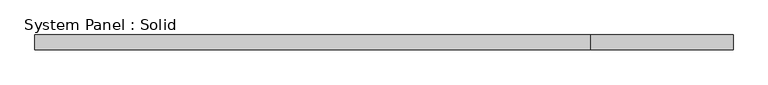
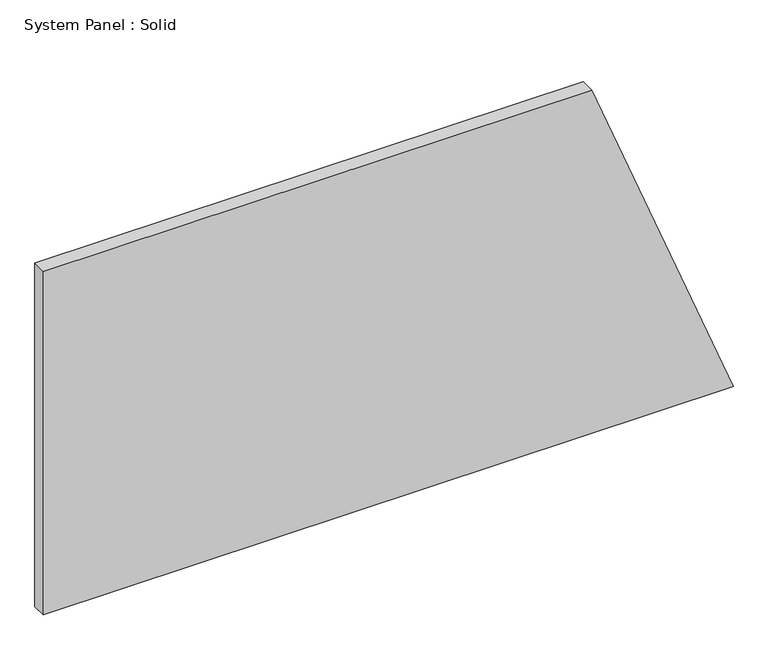
"""IFC4 building model written with IfcOpenShell, lengths in millimetres: plate geometry, System Panel : Solid."""

from ifc_helpers import new_model, si_unit, frame, origin, place, context, project, spatial, polyline, outline, extrude, source, transform, mapped, element, save


def system_panel_solid_bd1beb5a(model_context):
    return source(origin(), model_context, "Body", "SweptSolid", [
        extrude(outline(polyline([(0.0, -1423.7964578), (0.0, 1423.7964578), (1500.0, 840.2572312), (1500.0, -1423.7964578), (0.0, -1423.7964578)])), frame((0.0, -10.5, 0.0), z_axis=(0.0, 1.0, 0.0), x_axis=(0.0, 0.0, 1.0)), (0.0, 0.0, 1.0), 60.0),
    ])


if __name__ == "__main__":
    model = new_model("IFC4")
    model_context = context("Model", 3, world=origin())
    ifc_project = project(units=[si_unit("LENGTHUNIT", "METRE", prefix="MILLI")], contexts=[model_context])
    site = spatial("IfcSite", under=ifc_project)
    building = spatial("IfcBuilding", under=site)
    placement = place(None, origin())
    system_panel_solid_shape = system_panel_solid_bd1beb5a(model_context)
    element("IfcPlate", 1, ObjectType="System Panel : Solid", at=placement, inside=building, context=model_context, shape_type="MappedRepresentation", body=[
        mapped(system_panel_solid_shape, transform((0.0, 0.0, 0.0), x_axis=(1.0, 0.0, 0.0), y_axis=(0.0, 1.0, 0.0), z_axis=(0.0, 0.0, 1.0))),
    ])
    save(model, "model.ifc")
